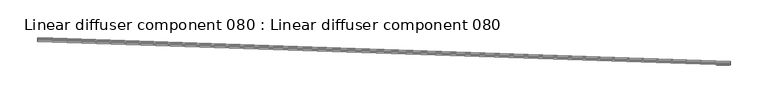
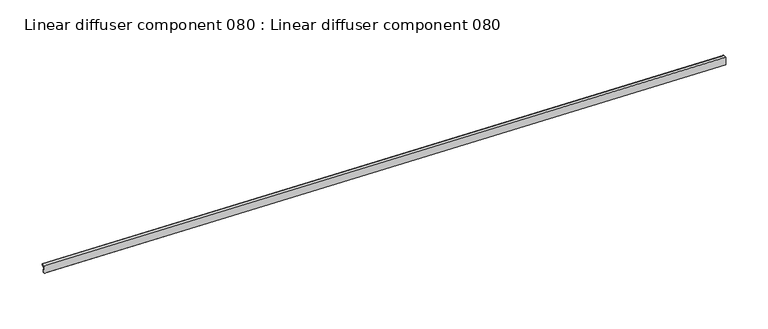
"""IFC4 building model written with IfcOpenShell, lengths in millimetres: proxy geometry, Linear diffuser component 080 : Linear diffuser component 080."""

from ifc_helpers import new_model, si_unit, origin, place, context, project, spatial, triangles, source, transform, mapped, element, save


def linear_diffuser_component_080_linear_diffuser_component_080_195c3f66(model_context):
    return source(origin(), model_context, "Body", "Tessellation", [
        triangles([(34304.2107605, -16942.1902863, 3052.9982323), (33390.3456116, -16910.915451, 3052.9982323), (33390.3177063, -16911.7235413, 3053.934803), (34304.1828552, -16942.9972137, 3053.934803), (33390.3084045, -16912.0142212, 3055.1364738), (34304.1735535, -16943.2878937, 3055.1364738), (33390.3339844, -16911.2445007, 3056.9985695), (34304.1991333, -16942.5181732, 3056.9985695), (33390.4037476, -16909.2283447, 3057.8307861), (34304.2688965, -16940.5031799, 3057.8307861), (34304.2828491, -16940.0950653, 3058.14879), (33390.4177002, -16908.8213928, 3058.14879), (33390.4177002, -16908.8213928, 3060.1230881), (34304.2828491, -16940.0950653, 3060.1230881), (33390.4037476, -16909.2085785, 3060.1230881), (34304.2688965, -16940.482251, 3060.1230881), (33390.4037476, -16909.2085785, 3060.5111458), (34304.2688965, -16940.482251, 3060.5111458), (33390.2432922, -16913.8803864, 3060.5111458), (34304.1084412, -16945.1540588, 3060.5111458), (33390.2432922, -16913.8803864, 3059.7356117), (34304.1084412, -16945.1540588, 3059.7356117), (34304.113092, -16945.0377869, 3059.7356117), (33390.2479431, -16913.7641144, 3059.7356117), (33390.2479431, -16913.7641144, 3049.7164558), (34304.113092, -16945.0377869, 3049.7164558), (33390.3037537, -16912.1711884, 3049.7164558), (34304.1665771, -16943.4448608, 3049.7164558), (33390.3037537, -16912.1711884, 3048.9377243), (34304.1665771, -16943.4448608, 3048.9377243), (33390.3386353, -16911.1468323, 3048.9377243), (34304.2037842, -16942.4205048, 3048.9377243), (34304.2154114, -16942.0298309, 3049.325782), (33390.3502625, -16910.7561584, 3049.325782), (33390.3502625, -16910.7561584, 3052.6799377), (34304.2154114, -16942.0298309, 3052.6799377), (33390.3386353, -16911.1445068, 3052.6799377), (34304.2037842, -16942.4181793, 3052.6799377)], [[4, 1, 2], [2, 3, 4], [6, 4, 5], [3, 5, 4], [8, 6, 5], [5, 7, 8], [10, 8, 9], [7, 9, 8], [14, 11, 13], [12, 13, 11], [16, 14, 15], [13, 15, 14], [18, 16, 17], [15, 17, 16], [20, 18, 19], [17, 19, 18], [22, 20, 21], [19, 21, 20], [26, 23, 25], [24, 25, 23], [28, 26, 27], [25, 27, 26], [30, 28, 27], [27, 29, 30], [32, 30, 29], [29, 31, 32], [36, 33, 34], [34, 35, 36], [38, 36, 37], [35, 37, 36], [1, 38, 2], [37, 2, 38]], closed=False),
    ])


if __name__ == "__main__":
    model = new_model("IFC4")
    model_context = context("Model", 3, world=origin())
    ifc_project = project(units=[si_unit("LENGTHUNIT", "METRE", prefix="MILLI")], contexts=[model_context])
    site = spatial("IfcSite", under=ifc_project)
    building = spatial("IfcBuilding", under=site)
    placement = place(None, origin())
    linear_diffuser_component_080_linear_diffuser_component_080_shape = linear_diffuser_component_080_linear_diffuser_component_080_195c3f66(model_context)
    element("IfcBuildingElementProxy", 1, Name="Linear diffuser component 080 : Linear diffuser component 080", ObjectType="Linear diffuser component 080 : Linear diffuser component 080", at=placement, inside=building, context=model_context, shape_type="MappedRepresentation", body=[
        mapped(linear_diffuser_component_080_linear_diffuser_component_080_shape, transform((0.0, 0.0, 0.0), x_axis=(1.0, 0.0, 0.0), y_axis=(0.0, 1.0, 0.0), z_axis=(0.0, 0.0, 1.0))),
    ])
    save(model, "model.ifc")
